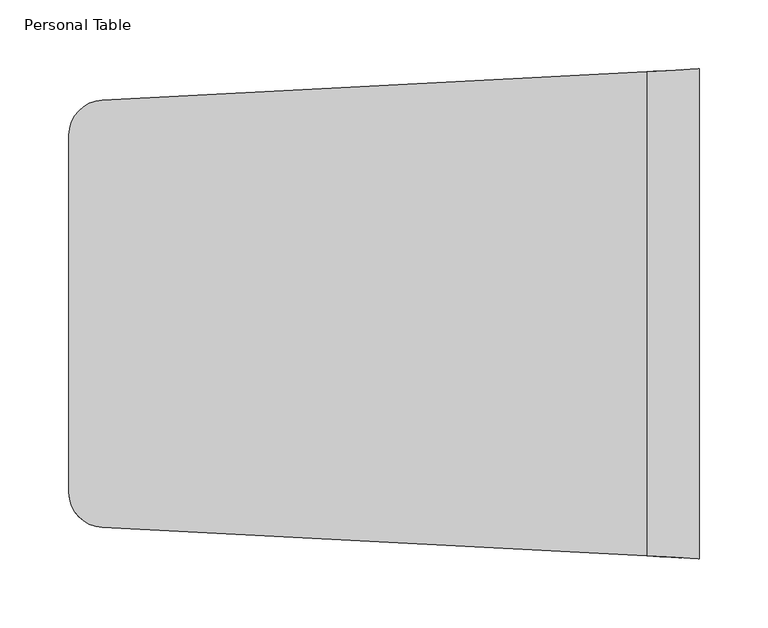
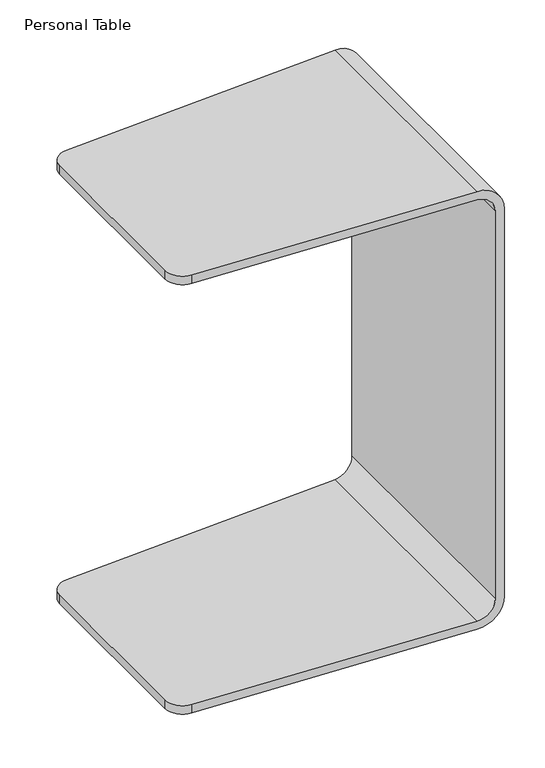
"""IFC4 building model written with IfcOpenShell, lengths in millimetres: furniture geometry, Personal Table."""

import ifcopenshell
import ifcopenshell.guid

model = None  # the IFC model being written
_history = None  # IfcOwnerHistory: only IFC2X3 demands one
_inside = {}  # id of a spatial element -> (the spatial element, [elements in it])
_under = {}  # id of a project, library or spatial element -> (it, [spatial elements below it])
_declared = {}  # id of a project -> (the project, [libraries it declares])
_typed = {}  # id of a type object -> (the type object, [elements of that type])
_made_of = {}  # id of a material, layer set ... -> (it, [elements and type objects made of it])


def new_model(schema):
    """Start an empty IFC model of exactly this schema.

    Asked for "IFC4X3", IfcOpenShell would pick the latest addendum, in which some entities
    have other attributes; the version numbers below select the first issue.
    IFC2X3 requires an IfcOwnerHistory on every rooted entity: one is made here for all.
    """
    global model, _history
    if schema == "IFC4X3":
        model = ifcopenshell.file(schema_version=(4, 3, 0, 0))
    else:
        model = ifcopenshell.file(schema=schema)
    _inside.clear()
    _under.clear()
    _declared.clear()
    _typed.clear()
    _made_of.clear()
    _history = None
    if model.schema == "IFC2X3":
        org = make("IfcOrganization", Name="unknown")
        user = make(
            "IfcPersonAndOrganization",
            ThePerson=make("IfcPerson", FamilyName="unknown"),
            TheOrganization=org,
        )
        app = make(
            "IfcApplication",
            ApplicationDeveloper=org,
            Version="unknown",
            ApplicationFullName="unknown",
            ApplicationIdentifier="unknown",
        )
        _history = make(
            "IfcOwnerHistory",
            OwningUser=user,
            OwningApplication=app,
            ChangeAction="ADDED",
            CreationDate=0,
        )
    return model


def make(cls, **values):
    """One entity of the class cls with the attributes given. An attribute that is None is left unset."""
    return model.create_entity(
        cls, **{name: value for name, value in values.items() if value is not None}
    )


def rooted(cls, **values):
    """An entity with a GlobalId (a new one), such as an element, a storey or a relation."""
    return make(cls, GlobalId=ifcopenshell.guid.new(), OwnerHistory=_history, **values)


def si_unit(unit_type, name, prefix=None):
    """IfcSIUnit, for example si_unit("LENGTHUNIT", "METRE", prefix="MILLI")."""
    return make("IfcSIUnit", UnitType=unit_type, Prefix=prefix, Name=name)


def assignment(units):
    """IfcUnitAssignment: the units of a project."""
    return None if units is None else make("IfcUnitAssignment", Units=units)


def point(xyz):
    """IfcCartesianPoint."""
    return None if xyz is None else make("IfcCartesianPoint", Coordinates=xyz)


def direction(xyz):
    """IfcDirection."""
    return None if xyz is None else make("IfcDirection", DirectionRatios=xyz)


def frame(location, z_axis=None, x_axis=None):
    """IfcAxis2Placement3D, a coordinate frame: its origin and axes. An axis left out is left unset."""
    return make(
        "IfcAxis2Placement3D",
        Location=point(location),
        Axis=direction(z_axis),
        RefDirection=direction(x_axis),
    )


def origin():
    """The frame at (0, 0, 0) with its axes left unset."""
    return frame((0.0, 0.0, 0.0))


def place(relative_to, where):
    """IfcLocalPlacement: puts the frame where relative to a parent placement (None: the world)."""
    return make(
        "IfcLocalPlacement", PlacementRelTo=relative_to, RelativePlacement=where
    )


def context(
    kind, dimensions, precision=None, world=None, true_north=None, identifier=None
):
    """IfcGeometricRepresentationContext, for example the 3D "Model" context."""
    return make(
        "IfcGeometricRepresentationContext",
        ContextIdentifier=identifier,
        ContextType=kind,
        CoordinateSpaceDimension=dimensions,
        Precision=precision,
        WorldCoordinateSystem=world,
        TrueNorth=true_north,
    )


def project(units=None, contexts=None):
    """IfcProject with its units and contexts."""
    return rooted(
        "IfcProject",
        Name="project",
        RepresentationContexts=contexts,
        UnitsInContext=assignment(units),
    )


def spatial(cls, under=None, at=None, **own):
    """A site, building, storey or space (cls), placed at a placement, below another one or the project."""
    s = rooted(cls, ObjectPlacement=at, **own)
    if under is not None:
        _under.setdefault(under.id(), (under, []))[1].append(s)
    return s


def polyline(points):
    """IfcPolyline through the points."""
    return make("IfcPolyline", Points=[point(p) for p in points])


def circle_curve(where, radius):
    """IfcCircle in the frame where."""
    return make("IfcCircle", Position=where, Radius=radius)


def ellipse_curve(where, semi_axis1, semi_axis2):
    """IfcEllipse in the frame where."""
    return make(
        "IfcEllipse", Position=where, SemiAxis1=semi_axis1, SemiAxis2=semi_axis2
    )


def shape(context_of_items, identifier, shape_type, items):
    """IfcShapeRepresentation: the items that make up one representation, for example the "Body"."""
    return make(
        "IfcShapeRepresentation",
        ContextOfItems=context_of_items,
        RepresentationIdentifier=identifier,
        RepresentationType=shape_type,
        Items=items,
    )


def source(mapping_origin, context_of_items, identifier, shape_type, items):
    """IfcRepresentationMap: a shape defined once, which mapped items show again and again."""
    return make(
        "IfcRepresentationMap",
        MappingOrigin=mapping_origin,
        MappedRepresentation=shape(context_of_items, identifier, shape_type, items),
    )


def transform(
    local_origin,
    x_axis=None,
    y_axis=None,
    z_axis=None,
    scale=None,
    scale2=None,
    scale3=None,
    uniform=True,
):
    """IfcCartesianTransformationOperator3D, or its non-uniform kind. x_axis, y_axis, z_axis: its Axis1, 2, 3."""
    if uniform:
        return make(
            "IfcCartesianTransformationOperator3D",
            Axis1=direction(x_axis),
            Axis2=direction(y_axis),
            LocalOrigin=point(local_origin),
            Scale=scale,
            Axis3=direction(z_axis),
        )
    return make(
        "IfcCartesianTransformationOperator3DnonUniform",
        Axis1=direction(x_axis),
        Axis2=direction(y_axis),
        LocalOrigin=point(local_origin),
        Scale=scale,
        Axis3=direction(z_axis),
        Scale2=scale2,
        Scale3=scale3,
    )


def mapped(mapping_source, mapping_target):
    """IfcMappedItem: shows the shape of a source again, moved by a transform."""
    return make(
        "IfcMappedItem", MappingSource=mapping_source, MappingTarget=mapping_target
    )


def made_of(thing, what):
    """Note that an element or type object is made of a material, layer set ...; save() writes the relation."""
    if what is not None:
        _made_of.setdefault(what.id(), (what, []))[1].append(thing)
    return thing


def element(
    cls,
    number,
    at=None,
    inside=None,
    cuts=None,
    type_object=None,
    material=None,
    context=None,
    identifier="Body",
    shape_type=None,
    held_by="IfcProductDefinitionShape",
    body=None,
    shapes=None,
    **own,
):
    """One element of the class cls, such as IfcWall. Its Tag is "e" and its number.

    at: its placement. inside: the storey or other place that contains it. cuts: it is an
    opening in that element (IfcRelVoidsElement). A single representation is given by context,
    identifier, shape_type and body (its items); several are given by shapes. held_by: the class
    of the entity that holds the representations. save() writes the other relations.
    """
    e = rooted(cls, Tag="e%d" % number, ObjectPlacement=at, **own)
    if body is not None:
        shapes = [shape(context, identifier, shape_type, body)]
    if shapes is not None:
        e.Representation = make(held_by, Representations=shapes)
    if inside is not None:
        _inside.setdefault(inside.id(), (inside, []))[1].append(e)
    if cuts is not None:
        rooted(
            "IfcRelVoidsElement", RelatingBuildingElement=cuts, RelatedOpeningElement=e
        )
    if type_object is not None:
        _typed.setdefault(type_object.id(), (type_object, []))[1].append(e)
    return made_of(e, material)


def aggregate(whole, parts):
    """IfcRelAggregates: a whole, such as a stair, and the parts it consists of."""
    return rooted("IfcRelAggregates", RelatingObject=whole, RelatedObjects=parts)


def save(model, path):
    """Write the relations noted so far, then the file.

    IfcRelAggregates (storeys below a building ...), IfcRelContainedInSpatialStructure (elements
    in a storey), IfcRelDefinesByType, IfcRelAssociatesMaterial and IfcRelDeclares: one each for
    every whole, place, type object, material and project.
    """
    for whole, parts in _under.values():
        aggregate(whole, parts)
    for where, things in _inside.values():
        rooted(
            "IfcRelContainedInSpatialStructure",
            RelatedElements=things,
            RelatingStructure=where,
        )
    for kind, things in _typed.values():
        rooted("IfcRelDefinesByType", RelatedObjects=things, RelatingType=kind)
    for what, things in _made_of.values():
        rooted("IfcRelAssociatesMaterial", RelatedObjects=things, RelatingMaterial=what)
    for by, libraries in _declared.values():
        rooted("IfcRelDeclares", RelatingContext=by, RelatedDefinitions=libraries)
    model.write(path)


def plane_surface(at):
    """IfcPlane: the flat surface through the origin of the frame at, square to its z axis."""
    return make("IfcPlane", Position=at)


def cylinder_surface(at, radius):
    """IfcCylindricalSurface: all points at the distance radius from the z axis of the frame at."""
    return make("IfcCylindricalSurface", Position=at, Radius=radius)


def revolved_surface(curve, axis_point, axis_direction):
    """IfcSurfaceOfRevolution: the curve turned about the line through axis_point along axis_direction."""
    return make(
        "IfcSurfaceOfRevolution",
        SweptCurve=make("IfcArbitraryOpenProfileDef", ProfileType="CURVE", Curve=curve),
        AxisPosition=make("IfcAxis1Placement", Location=point(axis_point), Axis=direction(axis_direction)),
    )


def advanced_brep(points, edges, surfaces, faces):
    """IfcAdvancedBrep: a solid bounded by faces that lie on surfaces and meet in shared edges.

    An edge is (start, end): straight between two places in points (the first is 0);
    or (start, end, curve); or (start, end, curve, False) where it runs against its curve.
    A face is (place in surfaces, loops), or (place, loops, False) where it looks against
    its surface's normal. A loop lists edges by number (the first is 1), with a minus sign
    where the edge is run from its end to its start. The first loop is the outer one.
    """
    corners = [point(p) for p in points]
    vertices = [make("IfcVertexPoint", VertexGeometry=c) for c in corners]
    made = []
    for start, end, *more in edges:
        made.append(
            make(
                "IfcEdgeCurve",
                EdgeStart=vertices[start],
                EdgeEnd=vertices[end],
                EdgeGeometry=more[0] if more else make("IfcPolyline", Points=[corners[start], corners[end]]),
                SameSense=more[1] if len(more) > 1 else True,
            )
        )
    hull = []
    for where, loops, *sense in faces:
        bounds = []
        for j, loop in enumerate(loops):
            ring = [make("IfcOrientedEdge", EdgeElement=made[abs(k) - 1], Orientation=k > 0) for k in loop]
            bounds.append(
                make(
                    "IfcFaceOuterBound" if j == 0 else "IfcFaceBound",
                    Bound=make("IfcEdgeLoop", EdgeList=ring),
                    Orientation=True,
                )
            )
        hull.append(make("IfcAdvancedFace", Bounds=bounds, FaceSurface=surfaces[where], SameSense=sense[0] if sense else True))
    return make("IfcAdvancedBrep", Outer=make("IfcClosedShell", CfsFaces=hull))


def personal_table_3cf4575d(model_context):
    return source(origin(), model_context, "Body", "AdvancedBrep", [
        advanced_brep(
        [(419.1000121, -1.9967274, 647.7), (419.1000121, -353.6032639, 647.7), (24.0706667, -332.9006532, 647.7), (0.0, -307.535463, 647.7), (0.0, -48.0644389, 647.7), (24.0706724, -22.6992484, 647.7), (0.0, -307.535463, 660.4), (0.0, -48.0644389, 660.4), (24.0706667, -332.9006532, 660.4), (419.1000121, -353.6032639, 660.4), (419.1000121, -1.9967274, 660.4), (24.0706724, -22.6992484, 660.4), (457.2000121, -355.6, 622.3), (457.2000121, 0.0, 622.3), (457.2000121, -355.6000003, 38.0999704), (457.2000121, 0.0, 38.0999704), (419.0525574, -353.6007769, 0.0), (419.0525574, -1.9992144, 0.0), (24.0706667, -332.9006532, 0.0), (0.0, -307.535463, 0.0), (0.0, -48.0644389, 0.0), (24.0706724, -22.6992484, 0.0), (0.0, -307.535463, 12.7), (0.0, -48.0644389, 12.7), (24.0706667, -332.9006532, 12.7), (419.0612655, -353.6012333, 12.7), (419.0612655, -1.9987581, 12.7), (24.0706724, -22.6992484, 12.7), (444.5000121, -354.9344215, 38.0999704), (444.5000121, -0.6655756, 38.0999704), (444.5000121, -354.9344215, 622.3), (444.5000121, -0.6655756, 622.3)],
        [
            (0, 1),
            (1, 2),
            (2, 3, circle_curve(frame((25.4, -307.535463, 647.7), z_axis=(0.0, 0.0, -1.0), x_axis=(0.0, -1.0, 0.0)), 25.4)),
            (3, 4),
            (4, 5, circle_curve(frame((25.4, -48.0644389, 647.7), z_axis=(0.0, 0.0, -1.0), x_axis=(0.0, 1.0, 0.0)), 25.4)),
            (5, 0),
            (3, 6),
            (6, 7),
            (7, 4),
            (6, 8, circle_curve(frame((25.4, -307.535463, 660.4), z_axis=(0.0, 0.0, 1.0), x_axis=(0.0, -1.0, 0.0)), 25.4)),
            (8, 9),
            (9, 10),
            (10, 11),
            (11, 7, circle_curve(frame((25.4, -48.0644389, 660.4), z_axis=(0.0, 0.0, 1.0), x_axis=(0.0, 1.0, 0.0)), 25.4)),
            (12, 13),
            (13, 10, ellipse_curve(frame((419.1000121, -1.9967274, 622.3), z_axis=(0.05233573060715277, -0.9986295465796191, 0.0), x_axis=(0.9986295465796191, 0.05233573060714996, 0.0)), 38.1522859, 38.1)),
            (9, 12, ellipse_curve(frame((419.1000121, -353.6032639, 622.3), z_axis=(0.0523359562429436, 0.9986295347545739, 0.0), x_axis=(-0.9986295347545739, 0.0523359562429424, 0.0)), 38.1522864, 38.1)),
            (12, 14),
            (14, 15),
            (15, 13),
            (14, 16, ellipse_curve(frame((419.1000121, -353.6032639, 38.0999704), z_axis=(0.0523359562429436, 0.9986295347545739, 0.0), x_axis=(-0.9986295347545739, 0.0523359562429424, 0.0)), 38.1522864, 38.1)),
            (16, 17),
            (17, 15, ellipse_curve(frame((419.1000121, -1.9967274, 38.0999704), z_axis=(0.05233573060715277, -0.9986295465796191, 0.0), x_axis=(0.9986295465796191, 0.05233573060714996, 0.0)), 38.1522859, 38.1)),
            (16, 18),
            (18, 19, circle_curve(frame((25.4, -307.535463, 0.0), z_axis=(0.0, 0.0, -1.0), x_axis=(0.0, -1.0, 0.0)), 25.4)),
            (19, 20),
            (20, 21, circle_curve(frame((25.4, -48.0644389, 0.0), z_axis=(0.0, 0.0, -1.0), x_axis=(0.0, 1.0, 0.0)), 25.4)),
            (21, 17),
            (19, 22),
            (22, 23),
            (23, 20),
            (22, 24, circle_curve(frame((25.4, -307.535463, 12.7), z_axis=(0.0, 0.0, 1.0), x_axis=(0.0, -1.0, 0.0)), 25.4)),
            (24, 25),
            (25, 26),
            (26, 27),
            (27, 23, circle_curve(frame((25.4, -48.0644389, 12.7), z_axis=(0.0, 0.0, 1.0), x_axis=(0.0, 1.0, 0.0)), 25.4)),
            (25, 28, ellipse_curve(frame((419.1000121, -353.6032639, 38.0999704), z_axis=(-0.0523359562429436, -0.9986295347545739, 0.0), x_axis=(0.9986295347545739, -0.0523359562429424, 0.0)), 25.4348576, 25.4)),
            (28, 29),
            (29, 26, ellipse_curve(frame((419.1000121, -1.9967274, 38.0999704), z_axis=(-0.05233573060715277, 0.9986295465796191, 0.0), x_axis=(-0.9986295465796191, -0.05233573060714996, 0.0)), 25.4348573, 25.4)),
            (28, 30),
            (30, 31),
            (31, 29),
            (0, 31, ellipse_curve(frame((419.1000121, -1.9967274, 622.3), z_axis=(-0.05233573060715277, 0.9986295465796191, 0.0), x_axis=(-0.9986295465796191, -0.05233573060714996, 0.0)), 25.4348573, 25.4)),
            (30, 1, ellipse_curve(frame((419.1000121, -353.6032639, 622.3), z_axis=(-0.0523359562429436, -0.9986295347545739, 0.0), x_axis=(0.9986295347545739, -0.0523359562429424, 0.0)), 25.4348576, 25.4)),
            (5, 11),
            (21, 27),
            (8, 2),
            (24, 18),
        ],
        [
            plane_surface(frame((419.1000121, 0.0, 647.7), z_axis=(0.0, 0.0, -1.0), x_axis=(0.0, -1.0, 0.0))),
            plane_surface(frame((0.0, 0.0, 647.7), z_axis=(-1.0, 0.0, 0.0), x_axis=(0.0, -1.0, 0.0))),
            plane_surface(frame((0.0, 0.0, 660.4), z_axis=(0.0, 0.0, 1.0), x_axis=(0.0, -1.0, 0.0))),
            cylinder_surface(frame((419.1000121, -355.6, 622.3), z_axis=(0.0, 1.0, 0.0), x_axis=(0.0, 0.0, -1.0)), 38.1),
            plane_surface(frame((457.2000121, 0.0, 622.3), z_axis=(1.0, 0.0, 0.0), x_axis=(0.0, -1.0, 0.0))),
            cylinder_surface(frame((419.1000121, -355.6, 38.0999704), z_axis=(0.0, 1.0, 0.0), x_axis=(0.0, 0.0, 1.0)), 38.1),
            plane_surface(frame((419.0525574, 0.0, 0.0), z_axis=(0.0, 0.0, -1.0), x_axis=(0.0, -1.0, 0.0))),
            plane_surface(frame((0.0, 0.0, 0.0), z_axis=(-1.0, 0.0, 0.0), x_axis=(0.0, -1.0, 0.0))),
            plane_surface(frame((0.0, 0.0, 12.7), z_axis=(0.0, 0.0, 1.0), x_axis=(0.0, -1.0, 0.0))),
            revolved_surface(polyline([(419.1000121, -354.9344215, 63.499970399999995), (419.1000121, -0.665575560315915, 63.499970399999995)]), (419.1000121, -355.6, 38.0999704), (0.0, -1.0, 0.0)),
            plane_surface(frame((444.5000121, 0.0, 38.0999704), z_axis=(-1.0, 0.0, 0.0), x_axis=(0.0, -1.0, 0.0))),
            revolved_surface(polyline([(419.1000121, -354.9344215, 596.9), (419.1000121, -0.665575560315915, 596.9)]), (419.1000121, -355.6, 622.3), (0.0, -1.0, 0.0)),
            plane_surface(frame((24.0706724, -22.6992484, 660.4), z_axis=(-0.05233573060715277, 0.9986295465796191, 0.0), x_axis=(0.0, 0.0, -1.0))),
            plane_surface(frame((457.2000061, -355.6, 660.4), z_axis=(-0.0523359562429436, -0.9986295347545739, 0.0), x_axis=(0.0, 0.0, -1.0))),
            cylinder_surface(frame((25.4, -307.535463, 0.0), z_axis=(0.0, 0.0, -1.0), x_axis=(0.0, -1.0, 0.0)), 25.4),
            cylinder_surface(frame((25.4, -48.0644389, 0.0), z_axis=(0.0, 0.0, -1.0), x_axis=(0.0, 1.0, 0.0)), 25.4),
        ],
        [
            (0, [[1, 2, 3, 4, 5, 6]]),
            (1, [[-4, 7, 8, 9]]),
            (2, [[-8, 10, 11, 12, 13, 14]]),
            (3, [[15, 16, -12, 17]]),
            (4, [[-15, 18, 19, 20]]),
            (5, [[-19, 21, 22, 23]]),
            (6, [[-22, 24, 25, 26, 27, 28]]),
            (7, [[-26, 29, 30, 31]]),
            (8, [[-30, 32, 33, 34, 35, 36]]),
            (9, [[-34, 37, 38, 39]]),
            (10, [[-38, 40, 41, 42]]),
            (11, [[-1, 43, -41, 44]]),
            (12, [[45, -13, -16, -20, -23, -28, 46, -35, -39, -42, -43, -6]]),
            (13, [[47, -2, -44, -40, -37, -33, 48, -24, -21, -18, -17, -11]]),
            (14, [[-47, -10, -7, -3]]),
            (14, [[-48, -32, -29, -25]]),
            (15, [[-45, -5, -9, -14]]),
            (15, [[-46, -27, -31, -36]]),
        ],
    ),
    ])


if __name__ == "__main__":
    model = new_model("IFC4")
    model_context = context("Model", 3, world=origin())
    ifc_project = project(units=[si_unit("LENGTHUNIT", "METRE", prefix="MILLI")], contexts=[model_context])
    site = spatial("IfcSite", under=ifc_project)
    building = spatial("IfcBuilding", under=site)
    placement = place(None, origin())
    personal_table_shape = personal_table_3cf4575d(model_context)
    element("IfcFurniture", 1, ObjectType="Personal Table", at=placement, inside=building, context=model_context, shape_type="MappedRepresentation", body=[
        mapped(personal_table_shape, transform((0.0, 0.0, 0.0), x_axis=(1.0, 0.0, 0.0), y_axis=(0.0, 1.0, 0.0), z_axis=(0.0, 0.0, 1.0))),
    ])
    save(model, "model.ifc")
